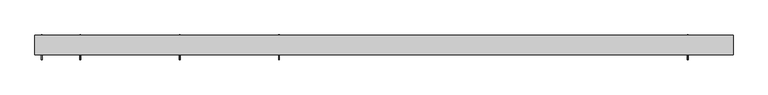
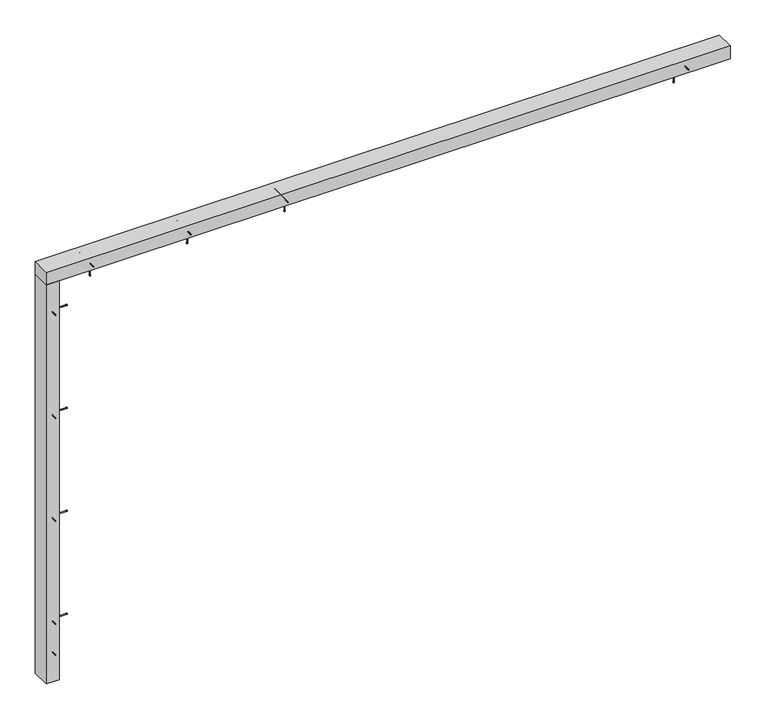
"""IFC4 building model written with IfcOpenShell, lengths in millimetres: proxy geometry."""

import ifcopenshell
import ifcopenshell.guid

model = None  # the IFC model being written
_history = None  # IfcOwnerHistory: only IFC2X3 demands one
_inside = {}  # id of a spatial element -> (the spatial element, [elements in it])
_under = {}  # id of a project, library or spatial element -> (it, [spatial elements below it])
_declared = {}  # id of a project -> (the project, [libraries it declares])
_typed = {}  # id of a type object -> (the type object, [elements of that type])
_made_of = {}  # id of a material, layer set ... -> (it, [elements and type objects made of it])


def new_model(schema):
    """Start an empty IFC model of exactly this schema.

    Asked for "IFC4X3", IfcOpenShell would pick the latest addendum, in which some entities
    have other attributes; the version numbers below select the first issue.
    IFC2X3 requires an IfcOwnerHistory on every rooted entity: one is made here for all.
    """
    global model, _history
    if schema == "IFC4X3":
        model = ifcopenshell.file(schema_version=(4, 3, 0, 0))
    else:
        model = ifcopenshell.file(schema=schema)
    _inside.clear()
    _under.clear()
    _declared.clear()
    _typed.clear()
    _made_of.clear()
    _history = None
    if model.schema == "IFC2X3":
        org = make("IfcOrganization", Name="unknown")
        user = make(
            "IfcPersonAndOrganization",
            ThePerson=make("IfcPerson", FamilyName="unknown"),
            TheOrganization=org,
        )
        app = make(
            "IfcApplication",
            ApplicationDeveloper=org,
            Version="unknown",
            ApplicationFullName="unknown",
            ApplicationIdentifier="unknown",
        )
        _history = make(
            "IfcOwnerHistory",
            OwningUser=user,
            OwningApplication=app,
            ChangeAction="ADDED",
            CreationDate=0,
        )
    return model


def make(cls, **values):
    """One entity of the class cls with the attributes given. An attribute that is None is left unset."""
    return model.create_entity(
        cls, **{name: value for name, value in values.items() if value is not None}
    )


def rooted(cls, **values):
    """An entity with a GlobalId (a new one), such as an element, a storey or a relation."""
    return make(cls, GlobalId=ifcopenshell.guid.new(), OwnerHistory=_history, **values)


def si_unit(unit_type, name, prefix=None):
    """IfcSIUnit, for example si_unit("LENGTHUNIT", "METRE", prefix="MILLI")."""
    return make("IfcSIUnit", UnitType=unit_type, Prefix=prefix, Name=name)


def assignment(units):
    """IfcUnitAssignment: the units of a project."""
    return None if units is None else make("IfcUnitAssignment", Units=units)


def point(xyz):
    """IfcCartesianPoint."""
    return None if xyz is None else make("IfcCartesianPoint", Coordinates=xyz)


def direction(xyz):
    """IfcDirection."""
    return None if xyz is None else make("IfcDirection", DirectionRatios=xyz)


def frame(location, z_axis=None, x_axis=None):
    """IfcAxis2Placement3D, a coordinate frame: its origin and axes. An axis left out is left unset."""
    return make(
        "IfcAxis2Placement3D",
        Location=point(location),
        Axis=direction(z_axis),
        RefDirection=direction(x_axis),
    )


def frame_2d(location, x_axis=None):
    """IfcAxis2Placement2D, a coordinate frame in the plane: its origin and x axis."""
    return make(
        "IfcAxis2Placement2D", Location=point(location), RefDirection=direction(x_axis)
    )


def origin():
    """The frame at (0, 0, 0) with its axes left unset."""
    return frame((0.0, 0.0, 0.0))


def place(relative_to, where):
    """IfcLocalPlacement: puts the frame where relative to a parent placement (None: the world)."""
    return make(
        "IfcLocalPlacement", PlacementRelTo=relative_to, RelativePlacement=where
    )


def context(
    kind, dimensions, precision=None, world=None, true_north=None, identifier=None
):
    """IfcGeometricRepresentationContext, for example the 3D "Model" context."""
    return make(
        "IfcGeometricRepresentationContext",
        ContextIdentifier=identifier,
        ContextType=kind,
        CoordinateSpaceDimension=dimensions,
        Precision=precision,
        WorldCoordinateSystem=world,
        TrueNorth=true_north,
    )


def project(units=None, contexts=None):
    """IfcProject with its units and contexts."""
    return rooted(
        "IfcProject",
        Name="project",
        RepresentationContexts=contexts,
        UnitsInContext=assignment(units),
    )


def spatial(cls, under=None, at=None, **own):
    """A site, building, storey or space (cls), placed at a placement, below another one or the project."""
    s = rooted(cls, ObjectPlacement=at, **own)
    if under is not None:
        _under.setdefault(under.id(), (under, []))[1].append(s)
    return s


def polyline(points):
    """IfcPolyline through the points."""
    return make("IfcPolyline", Points=[point(p) for p in points])


def circle_curve(where, radius):
    """IfcCircle in the frame where."""
    return make("IfcCircle", Position=where, Radius=radius)


def trimmed(basis, trim1, trim2, sense, master):
    """IfcTrimmedCurve: the piece of a basis curve between two trims."""
    return make(
        "IfcTrimmedCurve",
        BasisCurve=basis,
        Trim1=trim1,
        Trim2=trim2,
        SenseAgreement=sense,
        MasterRepresentation=master,
    )


def segment(curve, same_sense, transition):
    """IfcCompositeCurveSegment."""
    return make(
        "IfcCompositeCurveSegment",
        Transition=transition,
        SameSense=same_sense,
        ParentCurve=curve,
    )


def composite_curve(segments, self_intersect=None):
    """IfcCompositeCurve: segments joined end to end."""
    return make("IfcCompositeCurve", Segments=segments, SelfIntersect=self_intersect)


def outline(outer, holes=None, kind="AREA"):
    """IfcArbitraryClosedProfileDef: a profile drawn as a closed curve; with holes, ...WithVoids."""
    if holes is None:
        return make("IfcArbitraryClosedProfileDef", ProfileType=kind, OuterCurve=outer)
    return make(
        "IfcArbitraryProfileDefWithVoids",
        ProfileType=kind,
        OuterCurve=outer,
        InnerCurves=holes,
    )


def extrude(swept, where, along, depth):
    """IfcExtrudedAreaSolid: the profile swept, set in the frame where, extruded along a direction by depth."""
    return make(
        "IfcExtrudedAreaSolid",
        SweptArea=swept,
        Position=where,
        ExtrudedDirection=direction(along),
        Depth=depth,
    )


def shape(context_of_items, identifier, shape_type, items):
    """IfcShapeRepresentation: the items that make up one representation, for example the "Body"."""
    return make(
        "IfcShapeRepresentation",
        ContextOfItems=context_of_items,
        RepresentationIdentifier=identifier,
        RepresentationType=shape_type,
        Items=items,
    )


def source(mapping_origin, context_of_items, identifier, shape_type, items):
    """IfcRepresentationMap: a shape defined once, which mapped items show again and again."""
    return make(
        "IfcRepresentationMap",
        MappingOrigin=mapping_origin,
        MappedRepresentation=shape(context_of_items, identifier, shape_type, items),
    )


def transform(
    local_origin,
    x_axis=None,
    y_axis=None,
    z_axis=None,
    scale=None,
    scale2=None,
    scale3=None,
    uniform=True,
):
    """IfcCartesianTransformationOperator3D, or its non-uniform kind. x_axis, y_axis, z_axis: its Axis1, 2, 3."""
    if uniform:
        return make(
            "IfcCartesianTransformationOperator3D",
            Axis1=direction(x_axis),
            Axis2=direction(y_axis),
            LocalOrigin=point(local_origin),
            Scale=scale,
            Axis3=direction(z_axis),
        )
    return make(
        "IfcCartesianTransformationOperator3DnonUniform",
        Axis1=direction(x_axis),
        Axis2=direction(y_axis),
        LocalOrigin=point(local_origin),
        Scale=scale,
        Axis3=direction(z_axis),
        Scale2=scale2,
        Scale3=scale3,
    )


def mapped(mapping_source, mapping_target):
    """IfcMappedItem: shows the shape of a source again, moved by a transform."""
    return make(
        "IfcMappedItem", MappingSource=mapping_source, MappingTarget=mapping_target
    )


def made_of(thing, what):
    """Note that an element or type object is made of a material, layer set ...; save() writes the relation."""
    if what is not None:
        _made_of.setdefault(what.id(), (what, []))[1].append(thing)
    return thing


def element(
    cls,
    number,
    at=None,
    inside=None,
    cuts=None,
    type_object=None,
    material=None,
    context=None,
    identifier="Body",
    shape_type=None,
    held_by="IfcProductDefinitionShape",
    body=None,
    shapes=None,
    **own,
):
    """One element of the class cls, such as IfcWall. Its Tag is "e" and its number.

    at: its placement. inside: the storey or other place that contains it. cuts: it is an
    opening in that element (IfcRelVoidsElement). A single representation is given by context,
    identifier, shape_type and body (its items); several are given by shapes. held_by: the class
    of the entity that holds the representations. save() writes the other relations.
    """
    e = rooted(cls, Tag="e%d" % number, ObjectPlacement=at, **own)
    if body is not None:
        shapes = [shape(context, identifier, shape_type, body)]
    if shapes is not None:
        e.Representation = make(held_by, Representations=shapes)
    if inside is not None:
        _inside.setdefault(inside.id(), (inside, []))[1].append(e)
    if cuts is not None:
        rooted(
            "IfcRelVoidsElement", RelatingBuildingElement=cuts, RelatedOpeningElement=e
        )
    if type_object is not None:
        _typed.setdefault(type_object.id(), (type_object, []))[1].append(e)
    return made_of(e, material)


def aggregate(whole, parts):
    """IfcRelAggregates: a whole, such as a stair, and the parts it consists of."""
    return rooted("IfcRelAggregates", RelatingObject=whole, RelatedObjects=parts)


def save(model, path):
    """Write the relations noted so far, then the file.

    IfcRelAggregates (storeys below a building ...), IfcRelContainedInSpatialStructure (elements
    in a storey), IfcRelDefinesByType, IfcRelAssociatesMaterial and IfcRelDeclares: one each for
    every whole, place, type object, material and project.
    """
    for whole, parts in _under.values():
        aggregate(whole, parts)
    for where, things in _inside.values():
        rooted(
            "IfcRelContainedInSpatialStructure",
            RelatedElements=things,
            RelatingStructure=where,
        )
    for kind, things in _typed.values():
        rooted("IfcRelDefinesByType", RelatedObjects=things, RelatingType=kind)
    for what, things in _made_of.values():
        rooted("IfcRelAssociatesMaterial", RelatedObjects=things, RelatingMaterial=what)
    for by, libraries in _declared.values():
        rooted("IfcRelDeclares", RelatingContext=by, RelatedDefinitions=libraries)
    model.write(path)


def generic_models_57392a86(model_context):
    return source(origin(), model_context, "Body", "SweptSolid", [
        extrude(outline(composite_curve([segment(trimmed(circle_curve(frame_2d((2827.5, -473.1666667)), 2.4700592), [point((2829.9700592, -473.1666667))], [point((2825.0299408, -473.1666667))], False, "CARTESIAN"), True, "CONTINUOUS"), segment(trimmed(circle_curve(frame_2d((2827.5, -473.1666667)), 2.4700592), [point((2825.0299408, -473.1666667))], [point((2829.9700592, -473.1666667))], False, "CARTESIAN"), True, "CONTINUOUS")], self_intersect=False)), frame((0.0, 123.0, 0.0), z_axis=(0.0, 1.0, 0.0), x_axis=(0.0, 0.0, 1.0)), (0.0, 0.0, 1.0), 152.0),
        extrude(outline(composite_curve([segment(trimmed(circle_curve(frame_2d((2827.5, -473.1666667)), 3.8), [point((2831.3, -473.1666667))], [point((2823.7, -473.1666667))], False, "CARTESIAN"), True, "CONTINUOUS"), segment(trimmed(circle_curve(frame_2d((2827.5, -473.1666667)), 3.8), [point((2823.7, -473.1666667))], [point((2831.3, -473.1666667))], False, "CARTESIAN"), True, "CONTINUOUS")], self_intersect=False)), frame((0.0, 275.0, 0.0), z_axis=(0.0, 1.0, 0.0), x_axis=(0.0, 0.0, 1.0)), (0.0, 0.0, 1.0), 3.0),
        extrude(outline(composite_curve([segment(trimmed(circle_curve(frame_2d((-443.1666667, 215.0)), 2.4700592), [point((-443.1666667, 212.5299408))], [point((-443.1666667, 217.4700592))], False, "CARTESIAN"), True, "CONTINUOUS"), segment(trimmed(circle_curve(frame_2d((-443.1666667, 215.0)), 2.4700592), [point((-443.1666667, 217.4700592))], [point((-443.1666667, 212.5299408))], False, "CARTESIAN"), True, "CONTINUOUS")], self_intersect=False)), frame((0.0, 0.0, 2705.0), z_axis=(0.0, 0.0, 1.0), x_axis=(1.0, 0.0, 0.0)), (0.0, 0.0, 1.0), 140.0),
        extrude(outline(composite_curve([segment(trimmed(circle_curve(frame_2d((-443.1666667, 215.0)), 3.8), [point((-443.1666667, 211.2))], [point((-443.1666667, 218.8))], False, "CARTESIAN"), True, "CONTINUOUS"), segment(trimmed(circle_curve(frame_2d((-443.1666667, 215.0)), 3.8), [point((-443.1666667, 218.8))], [point((-443.1666667, 211.2))], False, "CARTESIAN"), True, "CONTINUOUS")], self_intersect=False)), frame((0.0, 0.0, 2702.0), z_axis=(0.0, 0.0, 1.0), x_axis=(1.0, 0.0, 0.0)), (0.0, 0.0, 1.0), 3.0),
        extrude(outline(composite_curve([segment(trimmed(circle_curve(frame_2d((2827.5, -1095.3333333)), 2.4700592), [point((2829.9700592, -1095.3333333))], [point((2825.0299408, -1095.3333333))], False, "CARTESIAN"), True, "CONTINUOUS"), segment(trimmed(circle_curve(frame_2d((2827.5, -1095.3333333)), 2.4700592), [point((2825.0299408, -1095.3333333))], [point((2829.9700592, -1095.3333333))], False, "CARTESIAN"), True, "CONTINUOUS")], self_intersect=False)), frame((0.0, 123.0, 0.0), z_axis=(0.0, 1.0, 0.0), x_axis=(0.0, 0.0, 1.0)), (0.0, 0.0, 1.0), 152.0),
        extrude(outline(composite_curve([segment(trimmed(circle_curve(frame_2d((2827.5, -1095.3333333)), 3.8), [point((2831.3, -1095.3333333))], [point((2823.7, -1095.3333333))], False, "CARTESIAN"), True, "CONTINUOUS"), segment(trimmed(circle_curve(frame_2d((2827.5, -1095.3333333)), 3.8), [point((2823.7, -1095.3333333))], [point((2831.3, -1095.3333333))], False, "CARTESIAN"), True, "CONTINUOUS")], self_intersect=False)), frame((0.0, 275.0, 0.0), z_axis=(0.0, 1.0, 0.0), x_axis=(0.0, 0.0, 1.0)), (0.0, 0.0, 1.0), 3.0),
        extrude(outline(composite_curve([segment(trimmed(circle_curve(frame_2d((-1065.3333333, 215.0)), 2.4700592), [point((-1065.3333333, 212.5299408))], [point((-1065.3333333, 217.4700592))], False, "CARTESIAN"), True, "CONTINUOUS"), segment(trimmed(circle_curve(frame_2d((-1065.3333333, 215.0)), 2.4700592), [point((-1065.3333333, 217.4700592))], [point((-1065.3333333, 212.5299408))], False, "CARTESIAN"), True, "CONTINUOUS")], self_intersect=False)), frame((0.0, 0.0, 2705.0), z_axis=(0.0, 0.0, 1.0), x_axis=(1.0, 0.0, 0.0)), (0.0, 0.0, 1.0), 140.0),
        extrude(outline(composite_curve([segment(trimmed(circle_curve(frame_2d((-1065.3333333, 215.0)), 3.8), [point((-1065.3333333, 211.2))], [point((-1065.3333333, 218.8))], False, "CARTESIAN"), True, "CONTINUOUS"), segment(trimmed(circle_curve(frame_2d((-1065.3333333, 215.0)), 3.8), [point((-1065.3333333, 218.8))], [point((-1065.3333333, 211.2))], False, "CARTESIAN"), True, "CONTINUOUS")], self_intersect=False)), frame((0.0, 0.0, 2702.0), z_axis=(0.0, 0.0, 1.0), x_axis=(1.0, 0.0, 0.0)), (0.0, 0.0, 1.0), 3.0),
        extrude(outline(composite_curve([segment(trimmed(circle_curve(frame_2d((2045.5, 215.0)), 2.4700592), [point((2045.5, 212.5299408))], [point((2045.5, 217.4700592))], False, "CARTESIAN"), True, "CONTINUOUS"), segment(trimmed(circle_curve(frame_2d((2045.5, 215.0)), 2.4700592), [point((2045.5, 217.4700592))], [point((2045.5, 212.5299408))], False, "CARTESIAN"), True, "CONTINUOUS")], self_intersect=False)), frame((0.0, 0.0, 2705.0), z_axis=(0.0, 0.0, 1.0), x_axis=(1.0, 0.0, 0.0)), (0.0, 0.0, 1.0), 140.0),
        extrude(outline(composite_curve([segment(trimmed(circle_curve(frame_2d((2045.5, 215.0)), 3.8), [point((2045.5, 211.2))], [point((2045.5, 218.8))], False, "CARTESIAN"), True, "CONTINUOUS"), segment(trimmed(circle_curve(frame_2d((2045.5, 215.0)), 3.8), [point((2045.5, 218.8))], [point((2045.5, 211.2))], False, "CARTESIAN"), True, "CONTINUOUS")], self_intersect=False)), frame((0.0, 0.0, 2702.0), z_axis=(0.0, 0.0, 1.0), x_axis=(1.0, 0.0, 0.0)), (0.0, 0.0, 1.0), 3.0),
        extrude(outline(composite_curve([segment(trimmed(circle_curve(frame_2d((-1687.5, 215.0)), 2.4700592), [point((-1687.5, 212.5299408))], [point((-1687.5, 217.4700592))], False, "CARTESIAN"), True, "CONTINUOUS"), segment(trimmed(circle_curve(frame_2d((-1687.5, 215.0)), 2.4700592), [point((-1687.5, 217.4700592))], [point((-1687.5, 212.5299408))], False, "CARTESIAN"), True, "CONTINUOUS")], self_intersect=False)), frame((0.0, 0.0, 2705.0), z_axis=(0.0, 0.0, 1.0), x_axis=(1.0, 0.0, 0.0)), (0.0, 0.0, 1.0), 140.0),
        extrude(outline(composite_curve([segment(trimmed(circle_curve(frame_2d((-1687.5, 215.0)), 3.8), [point((-1687.5, 211.2))], [point((-1687.5, 218.8))], False, "CARTESIAN"), True, "CONTINUOUS"), segment(trimmed(circle_curve(frame_2d((-1687.5, 215.0)), 3.8), [point((-1687.5, 218.8))], [point((-1687.5, 211.2))], False, "CARTESIAN"), True, "CONTINUOUS")], self_intersect=False)), frame((0.0, 0.0, 2702.0), z_axis=(0.0, 0.0, 1.0), x_axis=(1.0, 0.0, 0.0)), (0.0, 0.0, 1.0), 3.0),
        extrude(outline(composite_curve([segment(trimmed(circle_curve(frame_2d((2827.5, -1717.5)), 2.4700592), [point((2829.9700592, -1717.5))], [point((2825.0299408, -1717.5))], False, "CARTESIAN"), True, "CONTINUOUS"), segment(trimmed(circle_curve(frame_2d((2827.5, -1717.5)), 2.4700592), [point((2825.0299408, -1717.5))], [point((2829.9700592, -1717.5))], False, "CARTESIAN"), True, "CONTINUOUS")], self_intersect=False)), frame((0.0, 123.0, 0.0), z_axis=(0.0, 1.0, 0.0), x_axis=(0.0, 0.0, 1.0)), (0.0, 0.0, 1.0), 152.0),
        extrude(outline(composite_curve([segment(trimmed(circle_curve(frame_2d((2827.5, -1717.5)), 3.8), [point((2831.3, -1717.5))], [point((2823.7, -1717.5))], False, "CARTESIAN"), True, "CONTINUOUS"), segment(trimmed(circle_curve(frame_2d((2827.5, -1717.5)), 3.8), [point((2823.7, -1717.5))], [point((2831.3, -1717.5))], False, "CARTESIAN"), True, "CONTINUOUS")], self_intersect=False)), frame((0.0, 275.0, 0.0), z_axis=(0.0, 1.0, 0.0), x_axis=(0.0, 0.0, 1.0)), (0.0, 0.0, 1.0), 3.0),
        extrude(outline(composite_curve([segment(trimmed(circle_curve(frame_2d((2827.5, 2087.5)), 2.4700592), [point((2829.9700592, 2087.5))], [point((2825.0299408, 2087.5))], False, "CARTESIAN"), True, "CONTINUOUS"), segment(trimmed(circle_curve(frame_2d((2827.5, 2087.5)), 2.4700592), [point((2825.0299408, 2087.5))], [point((2829.9700592, 2087.5))], False, "CARTESIAN"), True, "CONTINUOUS")], self_intersect=False)), frame((0.0, 123.0, 0.0), z_axis=(0.0, 1.0, 0.0), x_axis=(0.0, 0.0, 1.0)), (0.0, 0.0, 1.0), 152.0),
        extrude(outline(composite_curve([segment(trimmed(circle_curve(frame_2d((2827.5, 2087.5)), 3.8), [point((2831.3, 2087.5))], [point((2823.7, 2087.5))], False, "CARTESIAN"), True, "CONTINUOUS"), segment(trimmed(circle_curve(frame_2d((2827.5, 2087.5)), 3.8), [point((2823.7, 2087.5))], [point((2831.3, 2087.5))], False, "CARTESIAN"), True, "CONTINUOUS")], self_intersect=False)), frame((0.0, 275.0, 0.0), z_axis=(0.0, 1.0, 0.0), x_axis=(0.0, 0.0, 1.0)), (0.0, 0.0, 1.0), 3.0),
        extrude(outline(polyline([(2372.5, 155.0), (-2002.5, 155.0), (-2002.5, 275.0), (2372.5, 275.0), (2372.5, 155.0)])), frame((0.0, 0.0, 2785.0), z_axis=(0.0, 0.0, 1.0), x_axis=(1.0, 0.0, 0.0)), (0.0, 0.0, 1.0), 85.0),
        extrude(outline(composite_curve([segment(trimmed(circle_curve(frame_2d((495.0, -1960.0)), 2.4700592), [point((495.0, -1962.4700592))], [point((495.0, -1957.5299408))], False, "CARTESIAN"), True, "CONTINUOUS"), segment(trimmed(circle_curve(frame_2d((495.0, -1960.0)), 2.4700592), [point((495.0, -1957.5299408))], [point((495.0, -1962.4700592))], False, "CARTESIAN"), True, "CONTINUOUS")], self_intersect=False)), frame((0.0, 123.0, 0.0), z_axis=(0.0, 1.0, 0.0), x_axis=(0.0, 0.0, 1.0)), (0.0, 0.0, 1.0), 152.0),
        extrude(outline(composite_curve([segment(trimmed(circle_curve(frame_2d((495.0, -1960.0)), 3.8), [point((495.0, -1963.8))], [point((495.0, -1956.2))], False, "CARTESIAN"), True, "CONTINUOUS"), segment(trimmed(circle_curve(frame_2d((495.0, -1960.0)), 3.8), [point((495.0, -1956.2))], [point((495.0, -1963.8))], False, "CARTESIAN"), True, "CONTINUOUS")], self_intersect=False)), frame((0.0, 275.0, 0.0), z_axis=(0.0, 1.0, 0.0), x_axis=(0.0, 0.0, 1.0)), (0.0, 0.0, 1.0), 3.0),
        extrude(outline(composite_curve([segment(trimmed(circle_curve(frame_2d((1191.6666667, -1960.0)), 2.4700592), [point((1191.6666667, -1962.4700592))], [point((1191.6666667, -1957.5299408))], False, "CARTESIAN"), True, "CONTINUOUS"), segment(trimmed(circle_curve(frame_2d((1191.6666667, -1960.0)), 2.4700592), [point((1191.6666667, -1957.5299408))], [point((1191.6666667, -1962.4700592))], False, "CARTESIAN"), True, "CONTINUOUS")], self_intersect=False)), frame((0.0, 123.0, 0.0), z_axis=(0.0, 1.0, 0.0), x_axis=(0.0, 0.0, 1.0)), (0.0, 0.0, 1.0), 152.0),
        extrude(outline(composite_curve([segment(trimmed(circle_curve(frame_2d((1191.6666667, -1960.0)), 3.8), [point((1191.6666667, -1963.8))], [point((1191.6666667, -1956.2))], False, "CARTESIAN"), True, "CONTINUOUS"), segment(trimmed(circle_curve(frame_2d((1191.6666667, -1960.0)), 3.8), [point((1191.6666667, -1956.2))], [point((1191.6666667, -1963.8))], False, "CARTESIAN"), True, "CONTINUOUS")], self_intersect=False)), frame((0.0, 275.0, 0.0), z_axis=(0.0, 1.0, 0.0), x_axis=(0.0, 0.0, 1.0)), (0.0, 0.0, 1.0), 3.0),
        extrude(outline(composite_curve([segment(trimmed(circle_curve(frame_2d((215.0, 1161.6666667)), 2.4700592), [point((212.5299408, 1161.6666667))], [point((217.4700592, 1161.6666667))], False, "CARTESIAN"), True, "CONTINUOUS"), segment(trimmed(circle_curve(frame_2d((215.0, 1161.6666667)), 2.4700592), [point((217.4700592, 1161.6666667))], [point((212.5299408, 1161.6666667))], False, "CARTESIAN"), True, "CONTINUOUS")], self_intersect=False)), frame((-1977.5, 0.0, 0.0), z_axis=(1.0, 0.0, 0.0), x_axis=(0.0, 1.0, 0.0)), (0.0, 0.0, 1.0), 140.0),
        extrude(outline(composite_curve([segment(trimmed(circle_curve(frame_2d((215.0, 1161.6666667)), 3.8), [point((211.2, 1161.6666667))], [point((218.8, 1161.6666667))], False, "CARTESIAN"), True, "CONTINUOUS"), segment(trimmed(circle_curve(frame_2d((215.0, 1161.6666667)), 3.8), [point((218.8, 1161.6666667))], [point((211.2, 1161.6666667))], False, "CARTESIAN"), True, "CONTINUOUS")], self_intersect=False)), frame((-1837.5, 0.0, 0.0), z_axis=(1.0, 0.0, 0.0), x_axis=(0.0, 1.0, 0.0)), (0.0, 0.0, 1.0), 3.0),
        extrude(outline(composite_curve([segment(trimmed(circle_curve(frame_2d((1888.3333333, -1960.0)), 2.4700592), [point((1888.3333333, -1962.4700592))], [point((1888.3333333, -1957.5299408))], False, "CARTESIAN"), True, "CONTINUOUS"), segment(trimmed(circle_curve(frame_2d((1888.3333333, -1960.0)), 2.4700592), [point((1888.3333333, -1957.5299408))], [point((1888.3333333, -1962.4700592))], False, "CARTESIAN"), True, "CONTINUOUS")], self_intersect=False)), frame((0.0, 123.0, 0.0), z_axis=(0.0, 1.0, 0.0), x_axis=(0.0, 0.0, 1.0)), (0.0, 0.0, 1.0), 152.0),
        extrude(outline(composite_curve([segment(trimmed(circle_curve(frame_2d((1888.3333333, -1960.0)), 3.8), [point((1888.3333333, -1963.8))], [point((1888.3333333, -1956.2))], False, "CARTESIAN"), True, "CONTINUOUS"), segment(trimmed(circle_curve(frame_2d((1888.3333333, -1960.0)), 3.8), [point((1888.3333333, -1956.2))], [point((1888.3333333, -1963.8))], False, "CARTESIAN"), True, "CONTINUOUS")], self_intersect=False)), frame((0.0, 275.0, 0.0), z_axis=(0.0, 1.0, 0.0), x_axis=(0.0, 0.0, 1.0)), (0.0, 0.0, 1.0), 3.0),
        extrude(outline(composite_curve([segment(trimmed(circle_curve(frame_2d((215.0, 1858.3333333)), 2.4700592), [point((212.5299408, 1858.3333333))], [point((217.4700592, 1858.3333333))], False, "CARTESIAN"), True, "CONTINUOUS"), segment(trimmed(circle_curve(frame_2d((215.0, 1858.3333333)), 2.4700592), [point((217.4700592, 1858.3333333))], [point((212.5299408, 1858.3333333))], False, "CARTESIAN"), True, "CONTINUOUS")], self_intersect=False)), frame((-1977.5, 0.0, 0.0), z_axis=(1.0, 0.0, 0.0), x_axis=(0.0, 1.0, 0.0)), (0.0, 0.0, 1.0), 140.0),
        extrude(outline(composite_curve([segment(trimmed(circle_curve(frame_2d((215.0, 1858.3333333)), 3.8), [point((211.2, 1858.3333333))], [point((218.8, 1858.3333333))], False, "CARTESIAN"), True, "CONTINUOUS"), segment(trimmed(circle_curve(frame_2d((215.0, 1858.3333333)), 3.8), [point((218.8, 1858.3333333))], [point((211.2, 1858.3333333))], False, "CARTESIAN"), True, "CONTINUOUS")], self_intersect=False)), frame((-1837.5, 0.0, 0.0), z_axis=(1.0, 0.0, 0.0), x_axis=(0.0, 1.0, 0.0)), (0.0, 0.0, 1.0), 3.0),
        extrude(outline(composite_curve([segment(trimmed(circle_curve(frame_2d((215.0, 465.0)), 2.4700592), [point((212.5299408, 465.0))], [point((217.4700592, 465.0))], False, "CARTESIAN"), True, "CONTINUOUS"), segment(trimmed(circle_curve(frame_2d((215.0, 465.0)), 2.4700592), [point((217.4700592, 465.0))], [point((212.5299408, 465.0))], False, "CARTESIAN"), True, "CONTINUOUS")], self_intersect=False)), frame((-1977.5, 0.0, 0.0), z_axis=(1.0, 0.0, 0.0), x_axis=(0.0, 1.0, 0.0)), (0.0, 0.0, 1.0), 140.0),
        extrude(outline(composite_curve([segment(trimmed(circle_curve(frame_2d((215.0, 465.0)), 3.8), [point((211.2, 465.0))], [point((218.8, 465.0))], False, "CARTESIAN"), True, "CONTINUOUS"), segment(trimmed(circle_curve(frame_2d((215.0, 465.0)), 3.8), [point((218.8, 465.0))], [point((211.2, 465.0))], False, "CARTESIAN"), True, "CONTINUOUS")], self_intersect=False)), frame((-1837.5, 0.0, 0.0), z_axis=(1.0, 0.0, 0.0), x_axis=(0.0, 1.0, 0.0)), (0.0, 0.0, 1.0), 3.0),
        extrude(outline(composite_curve([segment(trimmed(circle_curve(frame_2d((215.0, 2555.0)), 2.4700592), [point((212.5299408, 2555.0))], [point((217.4700592, 2555.0))], False, "CARTESIAN"), True, "CONTINUOUS"), segment(trimmed(circle_curve(frame_2d((215.0, 2555.0)), 2.4700592), [point((217.4700592, 2555.0))], [point((212.5299408, 2555.0))], False, "CARTESIAN"), True, "CONTINUOUS")], self_intersect=False)), frame((-1977.5, 0.0, 0.0), z_axis=(1.0, 0.0, 0.0), x_axis=(0.0, 1.0, 0.0)), (0.0, 0.0, 1.0), 140.0),
        extrude(outline(composite_curve([segment(trimmed(circle_curve(frame_2d((215.0, 2555.0)), 3.8), [point((211.2, 2555.0))], [point((218.8, 2555.0))], False, "CARTESIAN"), True, "CONTINUOUS"), segment(trimmed(circle_curve(frame_2d((215.0, 2555.0)), 3.8), [point((218.8, 2555.0))], [point((211.2, 2555.0))], False, "CARTESIAN"), True, "CONTINUOUS")], self_intersect=False)), frame((-1837.5, 0.0, 0.0), z_axis=(1.0, 0.0, 0.0), x_axis=(0.0, 1.0, 0.0)), (0.0, 0.0, 1.0), 3.0),
        extrude(outline(composite_curve([segment(trimmed(circle_curve(frame_2d((2585.0, -1960.0)), 2.4700592), [point((2585.0, -1962.4700592))], [point((2585.0, -1957.5299408))], False, "CARTESIAN"), True, "CONTINUOUS"), segment(trimmed(circle_curve(frame_2d((2585.0, -1960.0)), 2.4700592), [point((2585.0, -1957.5299408))], [point((2585.0, -1962.4700592))], False, "CARTESIAN"), True, "CONTINUOUS")], self_intersect=False)), frame((0.0, 123.0, 0.0), z_axis=(0.0, 1.0, 0.0), x_axis=(0.0, 0.0, 1.0)), (0.0, 0.0, 1.0), 152.0),
        extrude(outline(composite_curve([segment(trimmed(circle_curve(frame_2d((2585.0, -1960.0)), 3.8), [point((2585.0, -1963.8))], [point((2585.0, -1956.2))], False, "CARTESIAN"), True, "CONTINUOUS"), segment(trimmed(circle_curve(frame_2d((2585.0, -1960.0)), 3.8), [point((2585.0, -1956.2))], [point((2585.0, -1963.8))], False, "CARTESIAN"), True, "CONTINUOUS")], self_intersect=False)), frame((0.0, 275.0, 0.0), z_axis=(0.0, 1.0, 0.0), x_axis=(0.0, 0.0, 1.0)), (0.0, 0.0, 1.0), 3.0),
        extrude(outline(composite_curve([segment(trimmed(circle_curve(frame_2d((285.0, -1960.0)), 2.4700592), [point((285.0, -1962.4700592))], [point((285.0, -1957.5299408))], False, "CARTESIAN"), True, "CONTINUOUS"), segment(trimmed(circle_curve(frame_2d((285.0, -1960.0)), 2.4700592), [point((285.0, -1957.5299408))], [point((285.0, -1962.4700592))], False, "CARTESIAN"), True, "CONTINUOUS")], self_intersect=False)), frame((0.0, 123.0, 0.0), z_axis=(0.0, 1.0, 0.0), x_axis=(0.0, 0.0, 1.0)), (0.0, 0.0, 1.0), 152.0),
        extrude(outline(composite_curve([segment(trimmed(circle_curve(frame_2d((285.0, -1960.0)), 3.8), [point((285.0, -1963.8))], [point((285.0, -1956.2))], False, "CARTESIAN"), True, "CONTINUOUS"), segment(trimmed(circle_curve(frame_2d((285.0, -1960.0)), 3.8), [point((285.0, -1956.2))], [point((285.0, -1963.8))], False, "CARTESIAN"), True, "CONTINUOUS")], self_intersect=False)), frame((0.0, 275.0, 0.0), z_axis=(0.0, 1.0, 0.0), x_axis=(0.0, 0.0, 1.0)), (0.0, 0.0, 1.0), 3.0),
        extrude(outline(polyline([(-2002.5, 155.0), (-2002.5, 275.0), (-1917.5, 275.0), (-1917.5, 155.0), (-2002.5, 155.0)])), frame((0.0, 0.0, 85.0), z_axis=(0.0, 0.0, 1.0), x_axis=(1.0, 0.0, 0.0)), (0.0, 0.0, 1.0), 2700.0),
    ])


if __name__ == "__main__":
    model = new_model("IFC4")
    model_context = context("Model", 3, world=origin())
    ifc_project = project(units=[si_unit("LENGTHUNIT", "METRE", prefix="MILLI")], contexts=[model_context])
    site = spatial("IfcSite", under=ifc_project)
    building = spatial("IfcBuilding", under=site)
    placement = place(None, origin())
    generic_models_shape = generic_models_57392a86(model_context)
    element("IfcBuildingElementProxy", 1, Name="Generic Models", at=placement, inside=building, context=model_context, shape_type="MappedRepresentation", body=[
        mapped(generic_models_shape, transform((0.0, 0.0, 0.0), x_axis=(1.0, 0.0, 0.0), y_axis=(0.0, 1.0, 0.0), z_axis=(0.0, 0.0, 1.0))),
    ])
    save(model, "model.ifc")
